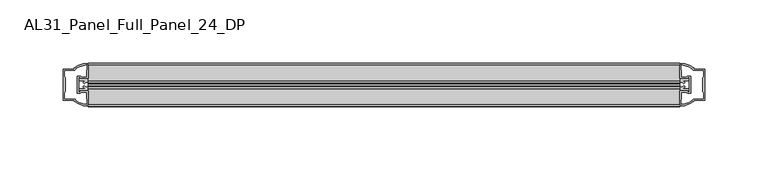
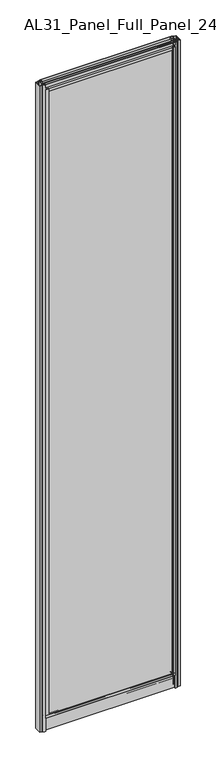
"""IFC4 building model written with IfcOpenShell, lengths in millimetres: plate geometry, AL31_Panel_Full_Panel_24_DP."""

import ifcopenshell
import ifcopenshell.guid

model = None  # the IFC model being written
_history = None  # IfcOwnerHistory: only IFC2X3 demands one
_inside = {}  # id of a spatial element -> (the spatial element, [elements in it])
_under = {}  # id of a project, library or spatial element -> (it, [spatial elements below it])
_declared = {}  # id of a project -> (the project, [libraries it declares])
_typed = {}  # id of a type object -> (the type object, [elements of that type])
_made_of = {}  # id of a material, layer set ... -> (it, [elements and type objects made of it])


def new_model(schema):
    """Start an empty IFC model of exactly this schema.

    Asked for "IFC4X3", IfcOpenShell would pick the latest addendum, in which some entities
    have other attributes; the version numbers below select the first issue.
    IFC2X3 requires an IfcOwnerHistory on every rooted entity: one is made here for all.
    """
    global model, _history
    if schema == "IFC4X3":
        model = ifcopenshell.file(schema_version=(4, 3, 0, 0))
    else:
        model = ifcopenshell.file(schema=schema)
    _inside.clear()
    _under.clear()
    _declared.clear()
    _typed.clear()
    _made_of.clear()
    _history = None
    if model.schema == "IFC2X3":
        org = make("IfcOrganization", Name="unknown")
        user = make(
            "IfcPersonAndOrganization",
            ThePerson=make("IfcPerson", FamilyName="unknown"),
            TheOrganization=org,
        )
        app = make(
            "IfcApplication",
            ApplicationDeveloper=org,
            Version="unknown",
            ApplicationFullName="unknown",
            ApplicationIdentifier="unknown",
        )
        _history = make(
            "IfcOwnerHistory",
            OwningUser=user,
            OwningApplication=app,
            ChangeAction="ADDED",
            CreationDate=0,
        )
    return model


def make(cls, **values):
    """One entity of the class cls with the attributes given. An attribute that is None is left unset."""
    return model.create_entity(
        cls, **{name: value for name, value in values.items() if value is not None}
    )


def rooted(cls, **values):
    """An entity with a GlobalId (a new one), such as an element, a storey or a relation."""
    return make(cls, GlobalId=ifcopenshell.guid.new(), OwnerHistory=_history, **values)


def si_unit(unit_type, name, prefix=None):
    """IfcSIUnit, for example si_unit("LENGTHUNIT", "METRE", prefix="MILLI")."""
    return make("IfcSIUnit", UnitType=unit_type, Prefix=prefix, Name=name)


def assignment(units):
    """IfcUnitAssignment: the units of a project."""
    return None if units is None else make("IfcUnitAssignment", Units=units)


def point(xyz):
    """IfcCartesianPoint."""
    return None if xyz is None else make("IfcCartesianPoint", Coordinates=xyz)


def direction(xyz):
    """IfcDirection."""
    return None if xyz is None else make("IfcDirection", DirectionRatios=xyz)


def frame(location, z_axis=None, x_axis=None):
    """IfcAxis2Placement3D, a coordinate frame: its origin and axes. An axis left out is left unset."""
    return make(
        "IfcAxis2Placement3D",
        Location=point(location),
        Axis=direction(z_axis),
        RefDirection=direction(x_axis),
    )


def frame_2d(location, x_axis=None):
    """IfcAxis2Placement2D, a coordinate frame in the plane: its origin and x axis."""
    return make(
        "IfcAxis2Placement2D", Location=point(location), RefDirection=direction(x_axis)
    )


def origin():
    """The frame at (0, 0, 0) with its axes left unset."""
    return frame((0.0, 0.0, 0.0))


def origin_with_axes():
    """The frame at (0, 0, 0) with the z axis (0, 0, 1) and the x axis (1, 0, 0) written out."""
    return frame((0.0, 0.0, 0.0), z_axis=(0.0, 0.0, 1.0), x_axis=(1.0, 0.0, 0.0))


def place(relative_to, where):
    """IfcLocalPlacement: puts the frame where relative to a parent placement (None: the world)."""
    return make(
        "IfcLocalPlacement", PlacementRelTo=relative_to, RelativePlacement=where
    )


def context(
    kind, dimensions, precision=None, world=None, true_north=None, identifier=None
):
    """IfcGeometricRepresentationContext, for example the 3D "Model" context."""
    return make(
        "IfcGeometricRepresentationContext",
        ContextIdentifier=identifier,
        ContextType=kind,
        CoordinateSpaceDimension=dimensions,
        Precision=precision,
        WorldCoordinateSystem=world,
        TrueNorth=true_north,
    )


def project(units=None, contexts=None):
    """IfcProject with its units and contexts."""
    return rooted(
        "IfcProject",
        Name="project",
        RepresentationContexts=contexts,
        UnitsInContext=assignment(units),
    )


def spatial(cls, under=None, at=None, **own):
    """A site, building, storey or space (cls), placed at a placement, below another one or the project."""
    s = rooted(cls, ObjectPlacement=at, **own)
    if under is not None:
        _under.setdefault(under.id(), (under, []))[1].append(s)
    return s


def polyline(points):
    """IfcPolyline through the points."""
    return make("IfcPolyline", Points=[point(p) for p in points])


def circle_curve(where, radius):
    """IfcCircle in the frame where."""
    return make("IfcCircle", Position=where, Radius=radius)


def trimmed(basis, trim1, trim2, sense, master):
    """IfcTrimmedCurve: the piece of a basis curve between two trims."""
    return make(
        "IfcTrimmedCurve",
        BasisCurve=basis,
        Trim1=trim1,
        Trim2=trim2,
        SenseAgreement=sense,
        MasterRepresentation=master,
    )


def segment(curve, same_sense, transition):
    """IfcCompositeCurveSegment."""
    return make(
        "IfcCompositeCurveSegment",
        Transition=transition,
        SameSense=same_sense,
        ParentCurve=curve,
    )


def composite_curve(segments, self_intersect=None):
    """IfcCompositeCurve: segments joined end to end."""
    return make("IfcCompositeCurve", Segments=segments, SelfIntersect=self_intersect)


def outline(outer, holes=None, kind="AREA"):
    """IfcArbitraryClosedProfileDef: a profile drawn as a closed curve; with holes, ...WithVoids."""
    if holes is None:
        return make("IfcArbitraryClosedProfileDef", ProfileType=kind, OuterCurve=outer)
    return make(
        "IfcArbitraryProfileDefWithVoids",
        ProfileType=kind,
        OuterCurve=outer,
        InnerCurves=holes,
    )


def extrude(swept, where, along, depth):
    """IfcExtrudedAreaSolid: the profile swept, set in the frame where, extruded along a direction by depth."""
    return make(
        "IfcExtrudedAreaSolid",
        SweptArea=swept,
        Position=where,
        ExtrudedDirection=direction(along),
        Depth=depth,
    )


def shape(context_of_items, identifier, shape_type, items):
    """IfcShapeRepresentation: the items that make up one representation, for example the "Body"."""
    return make(
        "IfcShapeRepresentation",
        ContextOfItems=context_of_items,
        RepresentationIdentifier=identifier,
        RepresentationType=shape_type,
        Items=items,
    )


def source(mapping_origin, context_of_items, identifier, shape_type, items):
    """IfcRepresentationMap: a shape defined once, which mapped items show again and again."""
    return make(
        "IfcRepresentationMap",
        MappingOrigin=mapping_origin,
        MappedRepresentation=shape(context_of_items, identifier, shape_type, items),
    )


def transform(
    local_origin,
    x_axis=None,
    y_axis=None,
    z_axis=None,
    scale=None,
    scale2=None,
    scale3=None,
    uniform=True,
):
    """IfcCartesianTransformationOperator3D, or its non-uniform kind. x_axis, y_axis, z_axis: its Axis1, 2, 3."""
    if uniform:
        return make(
            "IfcCartesianTransformationOperator3D",
            Axis1=direction(x_axis),
            Axis2=direction(y_axis),
            LocalOrigin=point(local_origin),
            Scale=scale,
            Axis3=direction(z_axis),
        )
    return make(
        "IfcCartesianTransformationOperator3DnonUniform",
        Axis1=direction(x_axis),
        Axis2=direction(y_axis),
        LocalOrigin=point(local_origin),
        Scale=scale,
        Axis3=direction(z_axis),
        Scale2=scale2,
        Scale3=scale3,
    )


def mapped(mapping_source, mapping_target):
    """IfcMappedItem: shows the shape of a source again, moved by a transform."""
    return make(
        "IfcMappedItem", MappingSource=mapping_source, MappingTarget=mapping_target
    )


def made_of(thing, what):
    """Note that an element or type object is made of a material, layer set ...; save() writes the relation."""
    if what is not None:
        _made_of.setdefault(what.id(), (what, []))[1].append(thing)
    return thing


def element(
    cls,
    number,
    at=None,
    inside=None,
    cuts=None,
    type_object=None,
    material=None,
    context=None,
    identifier="Body",
    shape_type=None,
    held_by="IfcProductDefinitionShape",
    body=None,
    shapes=None,
    **own,
):
    """One element of the class cls, such as IfcWall. Its Tag is "e" and its number.

    at: its placement. inside: the storey or other place that contains it. cuts: it is an
    opening in that element (IfcRelVoidsElement). A single representation is given by context,
    identifier, shape_type and body (its items); several are given by shapes. held_by: the class
    of the entity that holds the representations. save() writes the other relations.
    """
    e = rooted(cls, Tag="e%d" % number, ObjectPlacement=at, **own)
    if body is not None:
        shapes = [shape(context, identifier, shape_type, body)]
    if shapes is not None:
        e.Representation = make(held_by, Representations=shapes)
    if inside is not None:
        _inside.setdefault(inside.id(), (inside, []))[1].append(e)
    if cuts is not None:
        rooted(
            "IfcRelVoidsElement", RelatingBuildingElement=cuts, RelatedOpeningElement=e
        )
    if type_object is not None:
        _typed.setdefault(type_object.id(), (type_object, []))[1].append(e)
    return made_of(e, material)


def aggregate(whole, parts):
    """IfcRelAggregates: a whole, such as a stair, and the parts it consists of."""
    return rooted("IfcRelAggregates", RelatingObject=whole, RelatedObjects=parts)


def save(model, path):
    """Write the relations noted so far, then the file.

    IfcRelAggregates (storeys below a building ...), IfcRelContainedInSpatialStructure (elements
    in a storey), IfcRelDefinesByType, IfcRelAssociatesMaterial and IfcRelDeclares: one each for
    every whole, place, type object, material and project.
    """
    for whole, parts in _under.values():
        aggregate(whole, parts)
    for where, things in _inside.values():
        rooted(
            "IfcRelContainedInSpatialStructure",
            RelatedElements=things,
            RelatingStructure=where,
        )
    for kind, things in _typed.values():
        rooted("IfcRelDefinesByType", RelatedObjects=things, RelatingType=kind)
    for what, things in _made_of.values():
        rooted("IfcRelAssociatesMaterial", RelatedObjects=things, RelatingMaterial=what)
    for by, libraries in _declared.values():
        rooted("IfcRelDeclares", RelatingContext=by, RelatedDefinitions=libraries)
    model.write(path)


def al31_panel_full_panel_24_dp_1759ad5c(model_context):
    return source(origin(), model_context, "Body", "SweptSolid", [
        extrude(outline(composite_curve([segment(polyline([(-20.7348244, 46.2206013), (-21.2892398, 45.1563534)]), True, "CONTINUOUS"), segment(trimmed(circle_curve(frame_2d((-19.857, 47.9056604)), 3.1), [point((-21.2892398, 45.1563534))], [point((-22.907, 47.3511336))], False, "CARTESIAN"), True, "CONTINUOUS"), segment(polyline([(-22.907, 47.3511336), (-22.907, 41.9), (-24.857, 41.9), (-24.857, 49.4), (-36.857, 49.4), (-36.857, 59.2), (-34.657, 59.2), (-34.657, 51.3), (-5.057, 51.3), (-5.057, 59.2), (-2.857, 59.2), (-2.857, 49.4), (-14.857, 49.4), (-14.857, 41.9), (-16.807, 41.9), (-16.807, 47.3511336)]), True, "CONTINUOUS"), segment(trimmed(circle_curve(frame_2d((-19.857, 47.9056604)), 3.1), [point((-16.807, 47.3511336))], [point((-18.4247602, 45.1563534))], False, "CARTESIAN"), True, "CONTINUOUS"), segment(polyline([(-18.4247602, 45.1563534), (-18.9791756, 46.2206013)]), True, "CONTINUOUS"), segment(trimmed(circle_curve(frame_2d((-19.857, 47.9056604)), 1.9), [point((-18.9791756, 46.2206013))], [point((-19.857, 49.8056604))], True, "CARTESIAN"), True, "CONTINUOUS"), segment(trimmed(circle_curve(frame_2d((-19.857, 47.9056604)), 1.9), [point((-19.857, 49.8056604))], [point((-20.7348244, 46.2206013))], True, "CARTESIAN"), True, "CONTINUOUS")], self_intersect=False)), frame((-233.8301316, 0.0, 0.0), z_axis=(1.0, 0.0, 0.0), x_axis=(0.0, 1.0, 0.0)), (0.0, 0.0, 1.0), 467.6602632),
        extrude(outline(composite_curve([segment(trimmed(circle_curve(frame_2d((-235.3244712, -19.857)), 1.9), [point((-237.0095303, -20.7348244))], [point((-233.4244712, -19.857))], True, "CARTESIAN"), True, "CONTINUOUS"), segment(trimmed(circle_curve(frame_2d((-235.3244712, -19.857)), 1.9), [point((-233.4244712, -19.857))], [point((-237.0095303, -18.9791756))], True, "CARTESIAN"), True, "CONTINUOUS"), segment(polyline([(-237.0095303, -18.9791756), (-238.0737782, -18.4247602)]), True, "CONTINUOUS"), segment(trimmed(circle_curve(frame_2d((-235.3244712, -19.857)), 3.1), [point((-238.0737782, -18.4247602))], [point((-235.878998, -16.807))], False, "CARTESIAN"), True, "CONTINUOUS"), segment(polyline([(-235.878998, -16.807), (-241.3301316, -16.807), (-241.3301316, -14.857), (-233.8301316, -14.857), (-233.8301316, -2.857), (-224.0301316, -2.857), (-224.0301316, -5.057), (-231.9301316, -5.057), (-231.9301316, -34.657), (-224.0301316, -34.657), (-224.0301316, -36.857), (-233.8301316, -36.857), (-233.8301316, -24.857), (-241.3301316, -24.857), (-241.3301316, -22.907), (-235.878998, -22.907)]), True, "CONTINUOUS"), segment(trimmed(circle_curve(frame_2d((-235.3244712, -19.857)), 3.1), [point((-235.878998, -22.907))], [point((-238.0737782, -21.2892398))], False, "CARTESIAN"), True, "CONTINUOUS"), segment(polyline([(-238.0737782, -21.2892398), (-237.0095303, -20.7348244)]), True, "CONTINUOUS")], self_intersect=False)), frame((0.0, 0.0, 49.4), z_axis=(0.0, 0.0, 1.0), x_axis=(1.0, 0.0, 0.0)), (0.0, 0.0, 1.0), 2402.1572926),
        extrude(outline(composite_curve([segment(trimmed(circle_curve(frame_2d((235.3244712, -19.857)), 1.9), [point((237.0095303, -18.9791756))], [point((233.4244712, -19.857))], True, "CARTESIAN"), True, "CONTINUOUS"), segment(trimmed(circle_curve(frame_2d((235.3244712, -19.857)), 1.9), [point((233.4244712, -19.857))], [point((237.0095303, -20.7348244))], True, "CARTESIAN"), True, "CONTINUOUS"), segment(polyline([(237.0095303, -20.7348244), (238.0737782, -21.2892398)]), True, "CONTINUOUS"), segment(trimmed(circle_curve(frame_2d((235.3244712, -19.857)), 3.1), [point((238.0737782, -21.2892398))], [point((235.878998, -22.907))], False, "CARTESIAN"), True, "CONTINUOUS"), segment(polyline([(235.878998, -22.907), (241.3301316, -22.907), (241.3301316, -24.857), (233.8301316, -24.857), (233.8301316, -36.857), (224.0301316, -36.857), (224.0301316, -34.657), (231.9301316, -34.657), (231.9301316, -5.057), (224.0301316, -5.057), (224.0301316, -2.857), (233.8301316, -2.857), (233.8301316, -14.857), (241.3301316, -14.857), (241.3301316, -16.807), (235.878998, -16.807)]), True, "CONTINUOUS"), segment(trimmed(circle_curve(frame_2d((235.3244712, -19.857)), 3.1), [point((235.878998, -16.807))], [point((238.0737782, -18.4247602))], False, "CARTESIAN"), True, "CONTINUOUS"), segment(polyline([(238.0737782, -18.4247602), (237.0095303, -18.9791756)]), True, "CONTINUOUS")], self_intersect=False)), frame((0.0, 0.0, 49.4), z_axis=(0.0, 0.0, 1.0), x_axis=(1.0, 0.0, 0.0)), (0.0, 0.0, 1.0), 2402.1572926),
        extrude(outline(composite_curve([segment(polyline([(-18.9791756, 2454.7366913), (-18.4247602, 2455.8009392)]), True, "CONTINUOUS"), segment(trimmed(circle_curve(frame_2d((-19.857, 2453.0516322)), 3.1), [point((-18.4247602, 2455.8009392))], [point((-16.807, 2453.606159))], False, "CARTESIAN"), True, "CONTINUOUS"), segment(polyline([(-16.807, 2453.606159), (-16.807, 2459.0572926), (-14.857, 2459.0572926), (-14.857, 2451.5572926), (-2.857, 2451.5572926), (-2.857, 2441.7572926), (-5.057, 2441.7572926), (-5.057, 2449.6572926), (-34.657, 2449.6572926), (-34.657, 2441.7572926), (-36.857, 2441.7572926), (-36.857, 2451.5572926), (-24.857, 2451.5572926), (-24.857, 2459.0572926), (-22.907, 2459.0572926), (-22.907, 2453.606159)]), True, "CONTINUOUS"), segment(trimmed(circle_curve(frame_2d((-19.857, 2453.0516322)), 3.1), [point((-22.907, 2453.606159))], [point((-21.2892398, 2455.8009392))], False, "CARTESIAN"), True, "CONTINUOUS"), segment(polyline([(-21.2892398, 2455.8009392), (-20.7348244, 2454.7366913)]), True, "CONTINUOUS"), segment(trimmed(circle_curve(frame_2d((-19.857, 2453.0516322)), 1.9), [point((-20.7348244, 2454.7366913))], [point((-19.857, 2451.1516322))], True, "CARTESIAN"), True, "CONTINUOUS"), segment(trimmed(circle_curve(frame_2d((-19.857, 2453.0516322)), 1.9), [point((-19.857, 2451.1516322))], [point((-18.9791756, 2454.7366913))], True, "CARTESIAN"), True, "CONTINUOUS")], self_intersect=False)), frame((-233.8301316, 0.0, 0.0), z_axis=(1.0, 0.0, 0.0), x_axis=(0.0, 1.0, 0.0)), (0.0, 0.0, 1.0), 467.6602632),
        extrude(outline(composite_curve([segment(trimmed(circle_curve(frame_2d((-19.957, 2461.8572926)), 3.0), [point((-18.457, 2464.4553688))], [point((-17.4851586, 2460.1572926))], False, "CARTESIAN"), True, "CONTINUOUS"), segment(polyline([(-17.4851586, 2460.1572926), (-4.157, 2460.1572926), (-4.157, 2469.5572926), (-2.857, 2469.5572926), (-2.857, 2459.0572926), (-13.1545312, 2459.0572926), (-13.1545312, 2458.2572926), (-13.6601218, 2456.3357964), (-13.6601218, 2451.6572926), (-14.857, 2451.6572926), (-14.857, 2456.9912672), (-14.357, 2457.8572926), (-14.357, 2459.0572926), (-25.357, 2459.0572926), (-25.357, 2457.8572926), (-24.857, 2456.9912672), (-24.857, 2451.6572926), (-26.0538782, 2451.6572926), (-26.0538782, 2456.3357964), (-26.5594688, 2458.2572926), (-26.5594688, 2459.0572926), (-36.857, 2459.0572926), (-36.857, 2469.5572926), (-35.557, 2469.5572926), (-35.557, 2460.1572926), (-22.4288414, 2460.1572926)]), True, "CONTINUOUS"), segment(trimmed(circle_curve(frame_2d((-19.957, 2461.8572926)), 3.0), [point((-22.4288414, 2460.1572926))], [point((-21.457, 2464.4553688))], False, "CARTESIAN"), True, "CONTINUOUS"), segment(polyline([(-21.457, 2464.4553688), (-20.907, 2463.5027409)]), True, "CONTINUOUS"), segment(trimmed(circle_curve(frame_2d((-19.957, 2461.8572926)), 1.9), [point((-20.907, 2463.5027409))], [point((-19.007, 2463.5027409))], True, "CARTESIAN"), True, "CONTINUOUS"), segment(polyline([(-19.007, 2463.5027409), (-18.457, 2464.4553688)]), True, "CONTINUOUS")], self_intersect=False)), frame((-233.8301316, 0.0, 0.0), z_axis=(1.0, 0.0, 0.0), x_axis=(0.0, 1.0, 0.0)), (0.0, 0.0, 1.0), 467.6602632),
        extrude(outline(composite_curve([segment(polyline([(-11.457, 35.8), (-28.257, 35.8)]), True, "CONTINUOUS"), segment(trimmed(circle_curve(frame_2d((-28.257, 34.8)), 1.0), [point((-28.257, 35.8))], [point((-29.257, 34.8))], True, "CARTESIAN"), True, "CONTINUOUS"), segment(polyline([(-29.257, 34.8), (-29.257, 33.5), (-24.8569697, 33.5), (-24.8569697, 32.3), (-29.257, 32.3), (-29.257, 0.0), (-30.457, 0.0), (-30.457, 47.3)]), True, "CONTINUOUS"), segment(trimmed(circle_curve(frame_2d((-28.457, 47.3)), 2.0), [point((-30.457, 47.3))], [point((-28.457, 49.3))], False, "CARTESIAN"), True, "CONTINUOUS"), segment(polyline([(-28.457, 49.3), (-24.857, 49.3), (-24.857, 41.9), (-14.857, 41.9), (-14.857, 49.3), (-11.257, 49.3)]), True, "CONTINUOUS"), segment(trimmed(circle_curve(frame_2d((-11.257, 47.3)), 2.0), [point((-11.257, 49.3))], [point((-9.257, 47.3))], False, "CARTESIAN"), True, "CONTINUOUS"), segment(polyline([(-9.257, 47.3), (-9.257, 0.0), (-10.457, 0.0), (-10.457, 32.3), (-14.8569697, 32.3), (-14.8569697, 33.5), (-10.457, 33.5), (-10.457, 34.8)]), True, "CONTINUOUS"), segment(trimmed(circle_curve(frame_2d((-11.457, 34.8)), 1.0), [point((-10.457, 34.8))], [point((-11.457, 35.8))], True, "CARTESIAN"), True, "CONTINUOUS")], self_intersect=False), holes=[composite_curve([segment(polyline([(-26.3594688, 41.8), (-26.3594688, 42.9)]), True, "CONTINUOUS"), segment(trimmed(circle_curve(frame_2d((-25.1594688, 42.9)), 1.2), [point((-26.3594688, 42.9))], [point((-25.9768184, 43.7786009))], False, "CARTESIAN"), True, "CONTINUOUS"), segment(polyline([(-25.9768184, 43.7786009), (-25.9768184, 48.2), (-28.257, 48.2)]), True, "CONTINUOUS"), segment(trimmed(circle_curve(frame_2d((-28.257, 47.2)), 1.0), [point((-28.257, 48.2))], [point((-29.257, 47.2))], True, "CARTESIAN"), True, "CONTINUOUS"), segment(polyline([(-29.257, 47.2), (-29.257, 37.04), (-22.6578965, 37.04), (-22.6578965, 38.0725806), (-21.6940508, 38.0725806)]), True, "CONTINUOUS"), segment(trimmed(circle_curve(frame_2d((-19.857, 39.1)), 2.1048387), [point((-21.6940508, 38.0725806))], [point((-18.0199492, 38.0725806))], True, "CARTESIAN"), True, "CONTINUOUS"), segment(polyline([(-18.0199492, 38.0725806), (-17.0561035, 38.0725806), (-17.0561035, 37.04), (-10.457, 37.04), (-10.457, 47.2)]), True, "CONTINUOUS"), segment(trimmed(circle_curve(frame_2d((-11.457, 47.2)), 1.0), [point((-10.457, 47.2))], [point((-11.457, 48.2))], True, "CARTESIAN"), True, "CONTINUOUS"), segment(polyline([(-11.457, 48.2), (-13.7371816, 48.2), (-13.7371816, 43.5786009)]), True, "CONTINUOUS"), segment(trimmed(circle_curve(frame_2d((-14.5545312, 42.7)), 1.2), [point((-13.7371816, 43.5786009))], [point((-13.3545312, 42.7))], False, "CARTESIAN"), True, "CONTINUOUS"), segment(polyline([(-13.3545312, 42.7), (-13.3545312, 41.8)]), True, "CONTINUOUS"), segment(trimmed(circle_curve(frame_2d((-14.3545312, 41.8)), 1.0), [point((-13.3545312, 41.8))], [point((-14.3545312, 40.8))], False, "CARTESIAN"), True, "CONTINUOUS"), segment(polyline([(-14.3545312, 40.8), (-17.0561035, 40.8), (-17.0561035, 39.7274194), (-18.0199492, 39.7274194)]), True, "CONTINUOUS"), segment(trimmed(circle_curve(frame_2d((-19.857, 38.7)), 2.1048387), [point((-18.0199492, 39.7274194))], [point((-21.6940508, 39.7274194))], True, "CARTESIAN"), True, "CONTINUOUS"), segment(polyline([(-21.6940508, 39.7274194), (-22.6578965, 39.7274194), (-22.6578965, 40.8), (-25.3594688, 40.8)]), True, "CONTINUOUS"), segment(trimmed(circle_curve(frame_2d((-25.3594688, 41.8)), 1.0), [point((-25.3594688, 40.8))], [point((-26.3594688, 41.8))], False, "CARTESIAN"), True, "CONTINUOUS")], self_intersect=False)]), frame((-233.8301316, 0.0, 0.0), z_axis=(1.0, 0.0, 0.0), x_axis=(0.0, 1.0, 0.0)), (0.0, 0.0, 1.0), 467.6602632),
        extrude(outline(composite_curve([segment(polyline([(-241.671553, -25.757), (-240.471553, -25.757), (-240.471553, -24.857), (-233.8301316, -24.857), (-233.8301316, -36.8571453)]), True, "CONTINUOUS"), segment(trimmed(circle_curve(frame_2d((-233.46548, -16.8604698)), 20.0), [point((-233.8301316, -36.8571453))], [point((-245.1859668, -33.0663388))], False, "CARTESIAN"), True, "CONTINUOUS"), segment(polyline([(-245.1859668, -33.0663388), (-245.1859668, -32.1849343), (-253.8301316, -32.1849343), (-253.8301316, -7.4849343), (-245.1859668, -7.4849343), (-245.1859668, -6.6474751)]), True, "CONTINUOUS"), segment(trimmed(circle_curve(frame_2d((-233.46548, -22.8533441)), 20.0), [point((-245.1859668, -6.6474751))], [point((-233.8301316, -2.8566686))], False, "CARTESIAN"), True, "CONTINUOUS"), segment(polyline([(-233.8301316, -2.8566686), (-233.8301316, -14.857), (-240.471553, -14.857), (-240.471553, -13.957), (-241.671553, -13.957), (-241.671553, -25.757)]), True, "CONTINUOUS")], self_intersect=False), holes=[composite_curve([segment(trimmed(circle_curve(frame_2d((-240.671553, -14.157)), 1.5), [point((-240.671553, -12.657))], [point((-239.3162987, -13.5141269))], False, "CARTESIAN"), True, "CONTINUOUS"), segment(polyline([(-239.3162987, -13.5141269), (-235.571553, -13.5141269), (-235.571553, -8.917777), (-235.1322131, -7.8571168), (-235.1322131, -4.2070183)]), True, "CONTINUOUS"), segment(trimmed(circle_curve(frame_2d((-233.46548, -22.8325921)), 18.7), [point((-235.1322131, -4.2070183))], [point((-243.4722578, -7.0353013))], True, "CARTESIAN"), True, "CONTINUOUS"), segment(trimmed(circle_curve(frame_2d((-245.271553, -6.9849343)), 1.8), [point((-243.4722578, -7.0353013))], [point((-245.271553, -8.7849343))], False, "CARTESIAN"), True, "CONTINUOUS"), segment(polyline([(-245.271553, -8.7849343), (-252.4129743, -8.7849343), (-252.4129743, -13.3550394), (-251.971553, -14.417777), (-251.971553, -25.2520916), (-252.471553, -26.2449987), (-252.471553, -30.8849343), (-245.271553, -30.8849343)]), True, "CONTINUOUS"), segment(trimmed(circle_curve(frame_2d((-245.271553, -32.6849343)), 1.8), [point((-245.271553, -30.8849343))], [point((-243.4722578, -32.6345673))], False, "CARTESIAN"), True, "CONTINUOUS"), segment(trimmed(circle_curve(frame_2d((-233.46548, -16.8372765)), 18.7), [point((-243.4722578, -32.6345673))], [point((-235.1322131, -35.4628503))], True, "CARTESIAN"), True, "CONTINUOUS"), segment(polyline([(-235.1322131, -35.4628503), (-235.1322131, -31.8127518), (-235.571553, -30.7520916), (-235.571553, -26.1561308), (-239.2964012, -26.1561308)]), True, "CONTINUOUS"), segment(trimmed(circle_curve(frame_2d((-240.671553, -25.557)), 1.5), [point((-239.2964012, -26.1561308))], [point((-240.671553, -27.057))], False, "CARTESIAN"), True, "CONTINUOUS"), segment(polyline([(-240.671553, -27.057), (-242.971553, -27.057), (-242.971553, -12.657), (-240.671553, -12.657)]), True, "CONTINUOUS")], self_intersect=False)]), origin_with_axes(), (0.0, 0.0, 1.0), 2469.5572926),
        extrude(outline(composite_curve([segment(polyline([(241.671553, -13.957), (240.471553, -13.957), (240.471553, -14.857), (233.8301316, -14.857), (233.8301316, -2.8568547)]), True, "CONTINUOUS"), segment(trimmed(circle_curve(frame_2d((233.46548, -22.8535302)), 20.0), [point((233.8301316, -2.8568547))], [point((245.1859668, -6.6476612))], False, "CARTESIAN"), True, "CONTINUOUS"), segment(polyline([(245.1859668, -6.6476612), (245.1859668, -7.5290657), (253.8301316, -7.5290657), (253.8301316, -32.2290657), (245.1859668, -32.2290657), (245.1859668, -33.0665249)]), True, "CONTINUOUS"), segment(trimmed(circle_curve(frame_2d((233.46548, -16.8606559)), 20.0), [point((245.1859668, -33.0665249))], [point((233.8301316, -36.8573314))], False, "CARTESIAN"), True, "CONTINUOUS"), segment(polyline([(233.8301316, -36.8573314), (233.8301316, -24.857), (240.471553, -24.857), (240.471553, -25.757), (241.671553, -25.757), (241.671553, -13.957)]), True, "CONTINUOUS")], self_intersect=False), holes=[composite_curve([segment(trimmed(circle_curve(frame_2d((240.671553, -25.557)), 1.5), [point((240.671553, -27.057))], [point((239.3162987, -26.1998731))], False, "CARTESIAN"), True, "CONTINUOUS"), segment(polyline([(239.3162987, -26.1998731), (235.571553, -26.1998731), (235.571553, -30.796223), (235.1322131, -31.8568832), (235.1322131, -35.5069817)]), True, "CONTINUOUS"), segment(trimmed(circle_curve(frame_2d((233.46548, -16.8814079)), 18.7), [point((235.1322131, -35.5069817))], [point((243.4722578, -32.6786987))], True, "CARTESIAN"), True, "CONTINUOUS"), segment(trimmed(circle_curve(frame_2d((245.271553, -32.7290657)), 1.8), [point((243.4722578, -32.6786987))], [point((245.271553, -30.9290657))], False, "CARTESIAN"), True, "CONTINUOUS"), segment(polyline([(245.271553, -30.9290657), (252.4129743, -30.9290657), (252.4129743, -26.3589606), (251.971553, -25.296223), (251.971553, -14.4619084), (252.471553, -13.4690013), (252.471553, -8.8290657), (245.271553, -8.8290657)]), True, "CONTINUOUS"), segment(trimmed(circle_curve(frame_2d((245.271553, -7.0290657)), 1.8), [point((245.271553, -8.8290657))], [point((243.4722578, -7.0794327))], False, "CARTESIAN"), True, "CONTINUOUS"), segment(trimmed(circle_curve(frame_2d((233.46548, -22.8767235)), 18.7), [point((243.4722578, -7.0794327))], [point((235.1322131, -4.2511497))], True, "CARTESIAN"), True, "CONTINUOUS"), segment(polyline([(235.1322131, -4.2511497), (235.1322131, -7.9012482), (235.571553, -8.9619084), (235.571553, -13.5578692), (239.2964012, -13.5578692)]), True, "CONTINUOUS"), segment(trimmed(circle_curve(frame_2d((240.671553, -14.157)), 1.5), [point((239.2964012, -13.5578692))], [point((240.671553, -12.657))], False, "CARTESIAN"), True, "CONTINUOUS"), segment(polyline([(240.671553, -12.657), (242.971553, -12.657), (242.971553, -27.057), (240.671553, -27.057)]), True, "CONTINUOUS")], self_intersect=False)]), origin_with_axes(), (0.0, 0.0, 1.0), 2469.5572926),
        extrude(outline(polyline([(231.9301316, -27.857), (231.9301316, -31.857), (-231.9301316, -31.857), (-231.9301316, -27.857), (231.9301316, -27.857)])), frame((0.0, 0.0, 51.3), z_axis=(0.0, 0.0, 1.0), x_axis=(1.0, 0.0, 0.0)), (0.0, 0.0, 1.0), 2398.3572926),
        extrude(outline(polyline([(231.9301316, -7.857), (231.9301316, -11.857), (-231.9301316, -11.857), (-231.9301316, -7.857), (231.9301316, -7.857)])), frame((0.0, 0.0, 51.3), z_axis=(0.0, 0.0, 1.0), x_axis=(1.0, 0.0, 0.0)), (0.0, 0.0, 1.0), 2398.3572926),
    ])


if __name__ == "__main__":
    model = new_model("IFC4")
    model_context = context("Model", 3, world=origin())
    ifc_project = project(units=[si_unit("LENGTHUNIT", "METRE", prefix="MILLI")], contexts=[model_context])
    site = spatial("IfcSite", under=ifc_project)
    building = spatial("IfcBuilding", under=site)
    placement = place(None, origin())
    al31_panel_full_panel_24_dp_shape = al31_panel_full_panel_24_dp_1759ad5c(model_context)
    element("IfcPlate", 1, ObjectType="AL31_Panel_Full_Panel_24_DP", at=placement, inside=building, context=model_context, shape_type="MappedRepresentation", body=[
        mapped(al31_panel_full_panel_24_dp_shape, transform((0.0, 0.0, 0.0), x_axis=(1.0, 0.0, 0.0), y_axis=(0.0, 1.0, 0.0), z_axis=(0.0, 0.0, 1.0))),
    ])
    save(model, "model.ifc")
